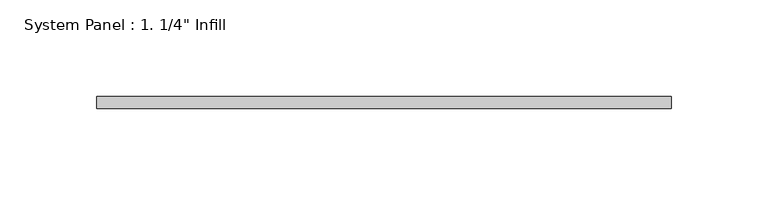
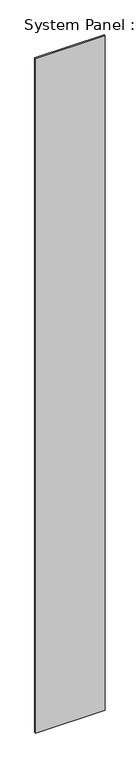
"""IFC4 building model written with IfcOpenShell, lengths in millimetres: plate geometry."""

from ifc_helpers import new_model, si_unit, origin, origin_with_axes, place, context, project, spatial, polyline, outline, extrude, source, transform, mapped, element, save


def plate_a977eca3(model_context):
    return source(origin(), model_context, "Body", "SweptSolid", [
        extrude(outline(polyline([(148.8986605, -6.35), (-148.8986605, -6.35), (-148.8986605, 0.0), (148.8986605, 0.0), (148.8986605, -6.35)])), origin_with_axes(), (0.0, 0.0, 1.0), 3048.0),
    ])


if __name__ == "__main__":
    model = new_model("IFC4")
    model_context = context("Model", 3, world=origin())
    ifc_project = project(units=[si_unit("LENGTHUNIT", "METRE", prefix="MILLI")], contexts=[model_context])
    site = spatial("IfcSite", under=ifc_project)
    building = spatial("IfcBuilding", under=site)
    placement = place(None, origin())
    plate_shape = plate_a977eca3(model_context)
    element("IfcPlate", 1, ObjectType="System Panel : 1. 1/4\" Infill", at=placement, inside=building, context=model_context, shape_type="MappedRepresentation", body=[
        mapped(plate_shape, transform((0.0, 0.0, 0.0), x_axis=(1.0, 0.0, 0.0), y_axis=(0.0, 1.0, 0.0), z_axis=(0.0, 0.0, 1.0))),
    ])
    save(model, "model.ifc")
